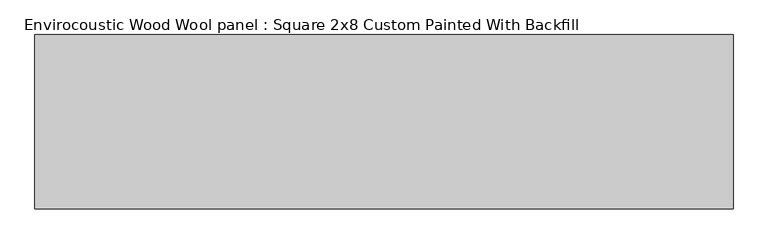
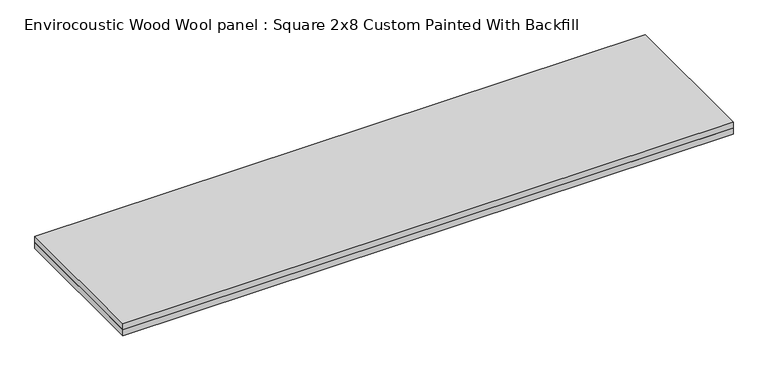
"""IFC4 building model written with IfcOpenShell, lengths in millimetres: proxy geometry, Envirocoustic Wood Wool panel : Square 2x8 Custom Painted With Backfill."""

from ifc_helpers import new_model, si_unit, frame, origin, origin_with_axes, place, context, project, spatial, polyline, outline, extrude, source, transform, mapped, element, save


def envirocoustic_wood_wool_panel_square_2x8_custom_painted_with_46b84260(model_context):
    return source(origin(), model_context, "Body", "SweptSolid", [
        extrude(outline(polyline([(1219.2, 304.8), (1219.2, -304.8), (-1219.2, -304.8), (-1219.2, 304.8), (1219.2, 304.8)])), origin_with_axes(), (0.0, 0.0, 1.0), 25.4),
        extrude(outline(polyline([(-1219.2, 304.8), (1219.2, 304.8), (1219.2, -304.8), (-1219.2, -304.8), (-1219.2, 304.8)])), frame((0.0, 0.0, 25.4), z_axis=(0.0, 0.0, 1.0), x_axis=(1.0, 0.0, 0.0)), (0.0, 0.0, 1.0), 25.4),
    ])


if __name__ == "__main__":
    model = new_model("IFC4")
    model_context = context("Model", 3, world=origin())
    ifc_project = project(units=[si_unit("LENGTHUNIT", "METRE", prefix="MILLI")], contexts=[model_context])
    site = spatial("IfcSite", under=ifc_project)
    building = spatial("IfcBuilding", under=site)
    placement = place(None, origin())
    envirocoustic_wood_wool_panel_square_2x8_custom_painted_with_shape = envirocoustic_wood_wool_panel_square_2x8_custom_painted_with_46b84260(model_context)
    element("IfcBuildingElementProxy", 1, Name="Envirocoustic Wood Wool panel : Square 2x8 Custom Painted With Backfill", ObjectType="Envirocoustic Wood Wool panel : Square 2x8 Custom Painted With Backfill", at=placement, inside=building, context=model_context, shape_type="MappedRepresentation", body=[
        mapped(envirocoustic_wood_wool_panel_square_2x8_custom_painted_with_shape, transform((0.0, 0.0, 0.0), x_axis=(1.0, 0.0, 0.0), y_axis=(0.0, 1.0, 0.0), z_axis=(0.0, 0.0, 1.0))),
    ])
    save(model, "model.ifc")
